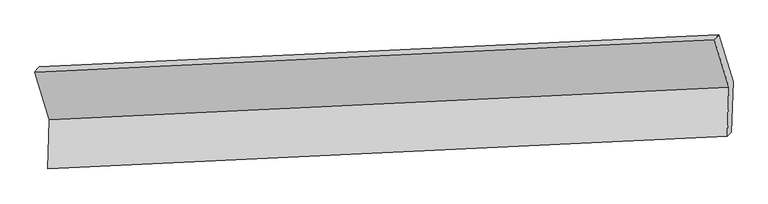
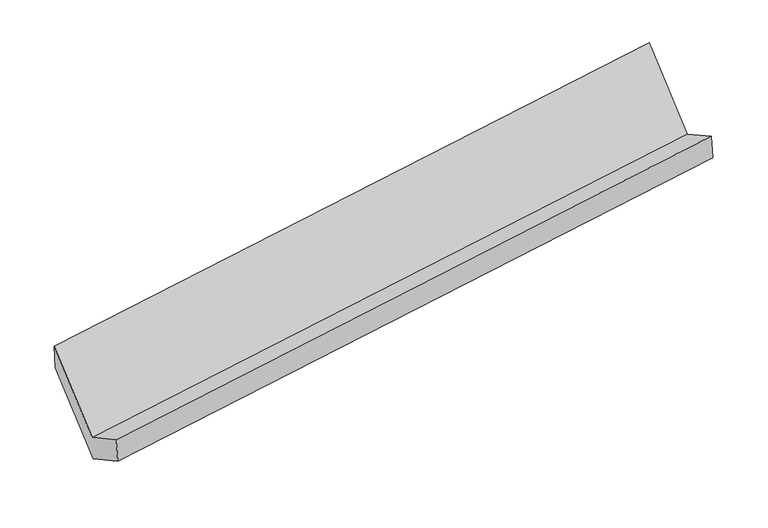
"""IFC4 building model written with IfcOpenShell, lengths in millimetres: proxy geometry."""

from ifc_helpers import new_model, si_unit, frame, origin, place, context, project, spatial, source, transform, mapped, element, save
from ifc_brep_helpers import plane_surface, spline_surface, advanced_brep


def generic_models_85e41a8b(model_context):
    return source(origin(), model_context, "Body", "AdvancedBrep", [
        advanced_brep(
        [(-5189.7477649, -1632.3166833, 1433.8920324), (-5200.5813282, -1970.7668976, 1625.9044096), (-497.2571052, -1746.0132728, 2307.7063862), (-486.4235419, -1407.5630586, 2115.694009), (-5172.4508247, -1941.9387678, 1422.9071649), (-469.1266016, -1717.185143, 2104.7091415), (-5161.33896, -1594.79417, 1225.962218), (-458.014737, -1370.0405453, 1907.7641946), (-5262.1552116, -1264.3929871, 1802.6549995), (-557.331277, -1044.5543087, 2475.8782718), (-5290.5640165, -1301.9155004, 2010.5848139), (-587.2397935, -1077.1618757, 2692.3867905)],
        [
            (0, 1),
            (1, 2),
            (2, 3),
            (3, 0),
            (1, 4),
            (4, 5),
            (5, 2),
            (4, 6),
            (6, 7),
            (7, 5),
            (6, 8),
            (8, 9),
            (9, 7),
            (8, 10),
            (10, 11),
            (11, 9),
            (10, 0),
            (3, 11),
        ],
        [
            plane_surface(frame((-5195.1645466, -1801.5417905, 1529.898221), z_axis=(-0.14789359806239358, 0.491598846031804, 0.8581713454971321), x_axis=(-0.027830135739421, -0.8694383537575678, 0.49325696402590796))),
            plane_surface(frame((-5186.5160764, -1956.3528327, 1524.4057872), z_axis=(0.06629720487781934, -0.9891258704076243, -0.1312809701203813), x_axis=(0.13592586701544834, 0.1392967790912256, -0.980877446988618))),
            plane_surface(frame((-5166.8948924, -1768.3664689, 1324.4346914), z_axis=(0.1478935980623903, -0.49159884603180376, -0.8581713454971327), x_axis=(0.02783013573942086, 0.8694383537575681, -0.49325696402590763))),
            plane_surface(frame((-5211.7470858, -1429.5935785, 1514.3086088), z_axis=(0.029907298050717068, 0.8695417337000089, -0.4929530676213392), x_axis=(-0.14997115310505574, 0.49149463127900844, 0.8578704334922911))),
            spline_surface(1, 1, [[(-5262.1552116, -1264.3929871, 1802.6549995), (-557.331277, -1044.5543087, 2475.8782718)], [(-5290.5640165, -1301.9155004, 2010.5848139), (-587.2397935, -1077.1618757, 2692.3867905)]], [2, 2], [2, 2], [0.0, 1.0], [0.0, 1.0]),
            plane_surface(frame((-5240.1558907, -1467.1160919, 1722.2384231), z_axis=(-0.02990729805071892, -0.8695417337000086, 0.49295306762133945), x_axis=(0.14997115310505468, -0.491494631279009, -0.857870433492291))),
            plane_surface(frame((-509.232176, -1393.753034, 2267.3564656), z_axis=(0.9882986070925457, 0.050099665061139, 0.14406903477047356), x_axis=(-0.13534275248951222, -0.14755656247802953, 0.9797496620148588))),
            plane_surface(frame((-5212.806351, -1617.687501, 1586.984273), z_axis=(-0.9882986070925468, -0.05009966506117408, -0.14406903477045366), x_axis=(-0.14997115310505468, 0.491494631279009, 0.857870433492291))),
        ],
        [
            (0, [[1, 2, 3, 4]]),
            (1, [[5, 6, 7, -2]]),
            (2, [[8, 9, 10, -6]]),
            (3, [[11, 12, 13, -9]]),
            (4, [[14, 15, 16, -12]]),
            (5, [[17, -4, 18, -15]]),
            (6, [[-16, -18, -3, -7, -10, -13]]),
            (7, [[-17, -14, -11, -8, -5, -1]]),
        ],
    ),
    ])


if __name__ == "__main__":
    model = new_model("IFC4")
    model_context = context("Model", 3, world=origin())
    ifc_project = project(units=[si_unit("LENGTHUNIT", "METRE", prefix="MILLI")], contexts=[model_context])
    site = spatial("IfcSite", under=ifc_project)
    building = spatial("IfcBuilding", under=site)
    placement = place(None, origin())
    generic_models_shape = generic_models_85e41a8b(model_context)
    element("IfcBuildingElementProxy", 1, Name="Generic Models", at=placement, inside=building, context=model_context, shape_type="MappedRepresentation", body=[
        mapped(generic_models_shape, transform((0.0, 0.0, 0.0), x_axis=(1.0, 0.0, 0.0), y_axis=(0.0, 1.0, 0.0), z_axis=(0.0, 0.0, 1.0))),
    ])
    save(model, "model.ifc")
